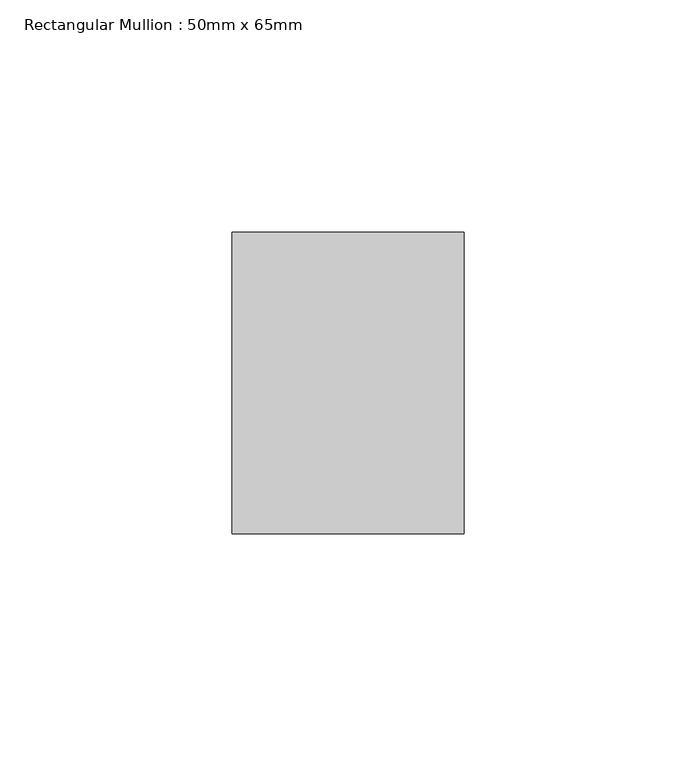
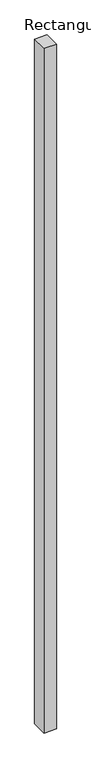
"""IFC4 building model written with IfcOpenShell, lengths in millimetres: member geometry, Rectangular Mullion : 50mm x 65mm."""

from ifc_helpers import new_model, si_unit, frame, origin, place, context, project, spatial, polyline, outline, extrude, source, transform, mapped, element, save


def rectangular_mullion_50mm_x_65mm_8a0b85a1(model_context):
    return source(origin(), model_context, "Body", "SweptSolid", [
        extrude(outline(polyline([(25.0, 32.5), (25.0, -32.5), (-25.0, -32.5), (-25.0, 32.5), (25.0, 32.5)])), frame((0.0, 0.0, -2924.9799835), z_axis=(0.0, 0.0, 1.0), x_axis=(1.0, 0.0, 0.0)), (0.0, 0.0, 1.0), 2924.9799835),
    ])


if __name__ == "__main__":
    model = new_model("IFC4")
    model_context = context("Model", 3, world=origin())
    ifc_project = project(units=[si_unit("LENGTHUNIT", "METRE", prefix="MILLI")], contexts=[model_context])
    site = spatial("IfcSite", under=ifc_project)
    building = spatial("IfcBuilding", under=site)
    placement = place(None, origin())
    rectangular_mullion_50mm_x_65mm_shape = rectangular_mullion_50mm_x_65mm_8a0b85a1(model_context)
    element("IfcMember", 1, ObjectType="Rectangular Mullion : 50mm x 65mm", at=placement, inside=building, context=model_context, shape_type="MappedRepresentation", body=[
        mapped(rectangular_mullion_50mm_x_65mm_shape, transform((0.0, 0.0, 0.0), x_axis=(1.0, 0.0, 0.0), y_axis=(0.0, 1.0, 0.0), z_axis=(0.0, 0.0, 1.0))),
    ])
    save(model, "model.ifc")
